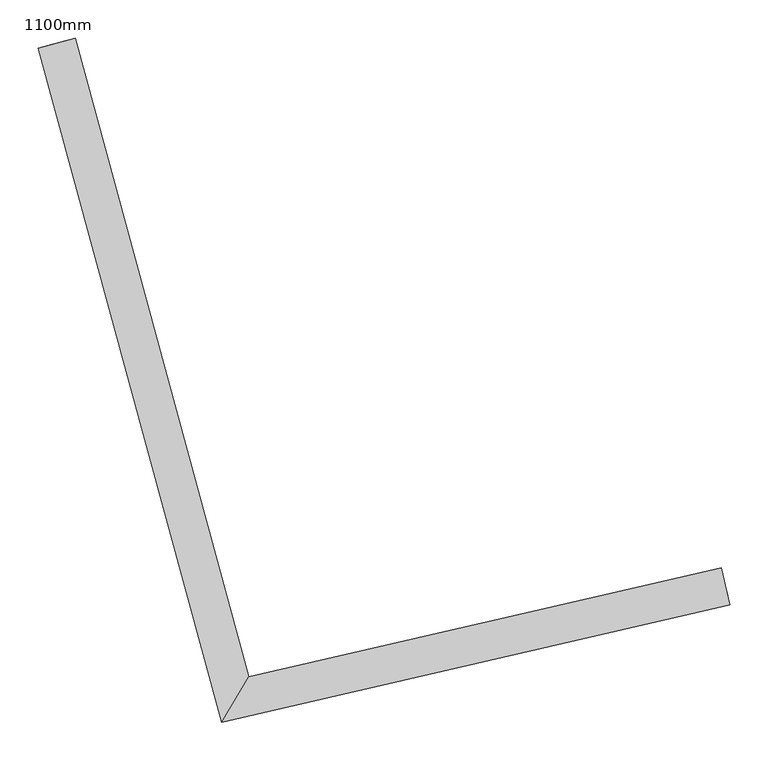
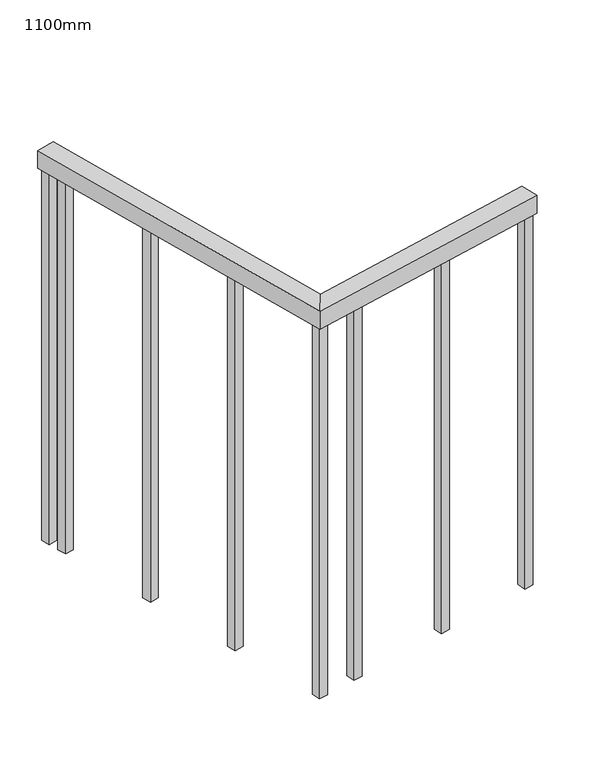
"""IFC4 building model written with IfcOpenShell, lengths in millimetres: railing geometry, 1100mm."""

import ifcopenshell
import ifcopenshell.guid

model = None  # the IFC model being written
_history = None  # IfcOwnerHistory: only IFC2X3 demands one
_inside = {}  # id of a spatial element -> (the spatial element, [elements in it])
_under = {}  # id of a project, library or spatial element -> (it, [spatial elements below it])
_declared = {}  # id of a project -> (the project, [libraries it declares])
_typed = {}  # id of a type object -> (the type object, [elements of that type])
_made_of = {}  # id of a material, layer set ... -> (it, [elements and type objects made of it])


def new_model(schema):
    """Start an empty IFC model of exactly this schema.

    Asked for "IFC4X3", IfcOpenShell would pick the latest addendum, in which some entities
    have other attributes; the version numbers below select the first issue.
    IFC2X3 requires an IfcOwnerHistory on every rooted entity: one is made here for all.
    """
    global model, _history
    if schema == "IFC4X3":
        model = ifcopenshell.file(schema_version=(4, 3, 0, 0))
    else:
        model = ifcopenshell.file(schema=schema)
    _inside.clear()
    _under.clear()
    _declared.clear()
    _typed.clear()
    _made_of.clear()
    _history = None
    if model.schema == "IFC2X3":
        org = make("IfcOrganization", Name="unknown")
        user = make(
            "IfcPersonAndOrganization",
            ThePerson=make("IfcPerson", FamilyName="unknown"),
            TheOrganization=org,
        )
        app = make(
            "IfcApplication",
            ApplicationDeveloper=org,
            Version="unknown",
            ApplicationFullName="unknown",
            ApplicationIdentifier="unknown",
        )
        _history = make(
            "IfcOwnerHistory",
            OwningUser=user,
            OwningApplication=app,
            ChangeAction="ADDED",
            CreationDate=0,
        )
    return model


def make(cls, **values):
    """One entity of the class cls with the attributes given. An attribute that is None is left unset."""
    return model.create_entity(
        cls, **{name: value for name, value in values.items() if value is not None}
    )


def rooted(cls, **values):
    """An entity with a GlobalId (a new one), such as an element, a storey or a relation."""
    return make(cls, GlobalId=ifcopenshell.guid.new(), OwnerHistory=_history, **values)


def si_unit(unit_type, name, prefix=None):
    """IfcSIUnit, for example si_unit("LENGTHUNIT", "METRE", prefix="MILLI")."""
    return make("IfcSIUnit", UnitType=unit_type, Prefix=prefix, Name=name)


def assignment(units):
    """IfcUnitAssignment: the units of a project."""
    return None if units is None else make("IfcUnitAssignment", Units=units)


def point(xyz):
    """IfcCartesianPoint."""
    return None if xyz is None else make("IfcCartesianPoint", Coordinates=xyz)


def direction(xyz):
    """IfcDirection."""
    return None if xyz is None else make("IfcDirection", DirectionRatios=xyz)


def frame(location, z_axis=None, x_axis=None):
    """IfcAxis2Placement3D, a coordinate frame: its origin and axes. An axis left out is left unset."""
    return make(
        "IfcAxis2Placement3D",
        Location=point(location),
        Axis=direction(z_axis),
        RefDirection=direction(x_axis),
    )


def origin():
    """The frame at (0, 0, 0) with its axes left unset."""
    return frame((0.0, 0.0, 0.0))


def place(relative_to, where):
    """IfcLocalPlacement: puts the frame where relative to a parent placement (None: the world)."""
    return make(
        "IfcLocalPlacement", PlacementRelTo=relative_to, RelativePlacement=where
    )


def context(
    kind, dimensions, precision=None, world=None, true_north=None, identifier=None
):
    """IfcGeometricRepresentationContext, for example the 3D "Model" context."""
    return make(
        "IfcGeometricRepresentationContext",
        ContextIdentifier=identifier,
        ContextType=kind,
        CoordinateSpaceDimension=dimensions,
        Precision=precision,
        WorldCoordinateSystem=world,
        TrueNorth=true_north,
    )


def project(units=None, contexts=None):
    """IfcProject with its units and contexts."""
    return rooted(
        "IfcProject",
        Name="project",
        RepresentationContexts=contexts,
        UnitsInContext=assignment(units),
    )


def spatial(cls, under=None, at=None, **own):
    """A site, building, storey or space (cls), placed at a placement, below another one or the project."""
    s = rooted(cls, ObjectPlacement=at, **own)
    if under is not None:
        _under.setdefault(under.id(), (under, []))[1].append(s)
    return s


def polyline(points):
    """IfcPolyline through the points."""
    return make("IfcPolyline", Points=[point(p) for p in points])


def outline(outer, holes=None, kind="AREA"):
    """IfcArbitraryClosedProfileDef: a profile drawn as a closed curve; with holes, ...WithVoids."""
    if holes is None:
        return make("IfcArbitraryClosedProfileDef", ProfileType=kind, OuterCurve=outer)
    return make(
        "IfcArbitraryProfileDefWithVoids",
        ProfileType=kind,
        OuterCurve=outer,
        InnerCurves=holes,
    )


def extrude(swept, where, along, depth):
    """IfcExtrudedAreaSolid: the profile swept, set in the frame where, extruded along a direction by depth."""
    return make(
        "IfcExtrudedAreaSolid",
        SweptArea=swept,
        Position=where,
        ExtrudedDirection=direction(along),
        Depth=depth,
    )


def faces_of(points, faces, orient=None, outer=None):
    """IfcFace entities. A face is a list of loops; a loop is a list of indices into points, from 0.

    orient and outer hold one flag for each loop. By default every Orientation is true, the
    first loop of a face is its IfcFaceOuterBound and the others are IfcFaceBound.
    """
    made = []
    for i, loops in enumerate(faces):
        bounds = []
        for j, loop in enumerate(loops):
            is_outer = j == 0 if outer is None else outer[i][j]
            bounds.append(
                make(
                    "IfcFaceOuterBound" if is_outer else "IfcFaceBound",
                    Bound=make("IfcPolyLoop", Polygon=[points[k] for k in loop]),
                    Orientation=True if orient is None else orient[i][j],
                )
            )
        made.append(make("IfcFace", Bounds=bounds))
    return made


def faceted_brep(points, faces, orient=None, outer=None, voids=None):
    """IfcFacetedBrep: a solid bounded by flat faces; with voids (closed shells), ...WithVoids."""
    shared = [point(p) for p in points]
    hull = make("IfcClosedShell", CfsFaces=faces_of(shared, faces, orient, outer))
    if voids is None:
        return make("IfcFacetedBrep", Outer=hull)
    return make(
        "IfcFacetedBrepWithVoids",
        Outer=hull,
        Voids=[
            make(cls, CfsFaces=faces_of(shared, fs, o, b)) for cls, fs, o, b in voids
        ],
    )


def shape(context_of_items, identifier, shape_type, items):
    """IfcShapeRepresentation: the items that make up one representation, for example the "Body"."""
    return make(
        "IfcShapeRepresentation",
        ContextOfItems=context_of_items,
        RepresentationIdentifier=identifier,
        RepresentationType=shape_type,
        Items=items,
    )


def source(mapping_origin, context_of_items, identifier, shape_type, items):
    """IfcRepresentationMap: a shape defined once, which mapped items show again and again."""
    return make(
        "IfcRepresentationMap",
        MappingOrigin=mapping_origin,
        MappedRepresentation=shape(context_of_items, identifier, shape_type, items),
    )


def transform(
    local_origin,
    x_axis=None,
    y_axis=None,
    z_axis=None,
    scale=None,
    scale2=None,
    scale3=None,
    uniform=True,
):
    """IfcCartesianTransformationOperator3D, or its non-uniform kind. x_axis, y_axis, z_axis: its Axis1, 2, 3."""
    if uniform:
        return make(
            "IfcCartesianTransformationOperator3D",
            Axis1=direction(x_axis),
            Axis2=direction(y_axis),
            LocalOrigin=point(local_origin),
            Scale=scale,
            Axis3=direction(z_axis),
        )
    return make(
        "IfcCartesianTransformationOperator3DnonUniform",
        Axis1=direction(x_axis),
        Axis2=direction(y_axis),
        LocalOrigin=point(local_origin),
        Scale=scale,
        Axis3=direction(z_axis),
        Scale2=scale2,
        Scale3=scale3,
    )


def mapped(mapping_source, mapping_target):
    """IfcMappedItem: shows the shape of a source again, moved by a transform."""
    return make(
        "IfcMappedItem", MappingSource=mapping_source, MappingTarget=mapping_target
    )


def made_of(thing, what):
    """Note that an element or type object is made of a material, layer set ...; save() writes the relation."""
    if what is not None:
        _made_of.setdefault(what.id(), (what, []))[1].append(thing)
    return thing


def element(
    cls,
    number,
    at=None,
    inside=None,
    cuts=None,
    type_object=None,
    material=None,
    context=None,
    identifier="Body",
    shape_type=None,
    held_by="IfcProductDefinitionShape",
    body=None,
    shapes=None,
    **own,
):
    """One element of the class cls, such as IfcWall. Its Tag is "e" and its number.

    at: its placement. inside: the storey or other place that contains it. cuts: it is an
    opening in that element (IfcRelVoidsElement). A single representation is given by context,
    identifier, shape_type and body (its items); several are given by shapes. held_by: the class
    of the entity that holds the representations. save() writes the other relations.
    """
    e = rooted(cls, Tag="e%d" % number, ObjectPlacement=at, **own)
    if body is not None:
        shapes = [shape(context, identifier, shape_type, body)]
    if shapes is not None:
        e.Representation = make(held_by, Representations=shapes)
    if inside is not None:
        _inside.setdefault(inside.id(), (inside, []))[1].append(e)
    if cuts is not None:
        rooted(
            "IfcRelVoidsElement", RelatingBuildingElement=cuts, RelatedOpeningElement=e
        )
    if type_object is not None:
        _typed.setdefault(type_object.id(), (type_object, []))[1].append(e)
    return made_of(e, material)


def aggregate(whole, parts):
    """IfcRelAggregates: a whole, such as a stair, and the parts it consists of."""
    return rooted("IfcRelAggregates", RelatingObject=whole, RelatedObjects=parts)


def save(model, path):
    """Write the relations noted so far, then the file.

    IfcRelAggregates (storeys below a building ...), IfcRelContainedInSpatialStructure (elements
    in a storey), IfcRelDefinesByType, IfcRelAssociatesMaterial and IfcRelDeclares: one each for
    every whole, place, type object, material and project.
    """
    for whole, parts in _under.values():
        aggregate(whole, parts)
    for where, things in _inside.values():
        rooted(
            "IfcRelContainedInSpatialStructure",
            RelatedElements=things,
            RelatingStructure=where,
        )
    for kind, things in _typed.values():
        rooted("IfcRelDefinesByType", RelatedObjects=things, RelatingType=kind)
    for what, things in _made_of.values():
        rooted("IfcRelAssociatesMaterial", RelatedObjects=things, RelatingMaterial=what)
    for by, libraries in _declared.values():
        rooted("IfcRelDeclares", RelatingContext=by, RelatedDefinitions=libraries)
    model.write(path)


def railing_1100mm_5d1f0b4b(model_context):
    return source(origin(), model_context, "Body", "SolidModel", [
        faceted_brep([(245495.7152203, 87162.7700823, 1700.0), (245506.9627731, 87114.0515791, 1700.0), (245506.9627731, 87114.0515791, 1650.0), (245495.7152203, 87162.7700823, 1650.0), (244877.5684752, 87020.0596614, 1700.0), (244841.9380098, 86960.5185149, 1700.0), (244841.9380098, 86960.5185149, 1650.0), (244877.5684752, 87020.0596614, 1650.0), (244650.2717864, 87856.3091211, 1700.0), (244650.2717864, 87856.3091211, 1650.0), (244602.0223157, 87843.1946792, 1650.0), (244602.0223157, 87843.1946792, 1700.0)], [[[0, 1, 2, 3]], [[1, 0, 4, 5]], [[2, 1, 5, 6]], [[3, 2, 6, 7]], [[0, 3, 7, 4]], [[8, 9, 10, 11]], [[5, 4, 8, 11]], [[6, 5, 11, 10]], [[7, 6, 10, 9]], [[4, 7, 9, 8]]]),
        extrude(outline(polyline([(244658.7059301, 87777.6215962), (244634.5811948, 87771.0643753), (244628.0239738, 87795.1891106), (244652.1487092, 87801.7463315), (244658.7059301, 87777.6215962)])), frame((0.0, 0.0, 600.0), z_axis=(0.0, 0.0, 1.0), x_axis=(1.0, 0.0, 0.0)), (0.0, 0.0, 1.0), 1050.0),
        extrude(outline(polyline([(244730.8353603, 87512.2495078), (244706.710625, 87505.6922869), (244700.153404, 87529.8170222), (244724.2781393, 87536.3742431), (244730.8353603, 87512.2495078)])), frame((0.0, 0.0, 600.0), z_axis=(0.0, 0.0, 1.0), x_axis=(1.0, 0.0, 0.0)), (0.0, 0.0, 1.0), 1050.0),
        extrude(outline(polyline([(244802.9647904, 87246.8774194), (244778.8400551, 87240.3201985), (244772.2828342, 87264.4449338), (244796.4075695, 87271.0021547), (244802.9647904, 87246.8774194)])), frame((0.0, 0.0, 600.0), z_axis=(0.0, 0.0, 1.0), x_axis=(1.0, 0.0, 0.0)), (0.0, 0.0, 1.0), 1050.0),
        extrude(outline(polyline([(244974.8031987, 87029.6792648), (244980.4269751, 87005.3200132), (244956.0677234, 86999.6962368), (244950.4439471, 87024.0554884), (244974.8031987, 87029.6792648)])), frame((0.0, 0.0, 600.0), z_axis=(0.0, 0.0, 1.0), x_axis=(1.0, 0.0, 0.0)), (0.0, 0.0, 1.0), 1050.0),
        extrude(outline(polyline([(245242.7549665, 87091.5408048), (245248.3787429, 87067.1815531), (245224.0194912, 87061.5577768), (245218.3957149, 87085.9170284), (245242.7549665, 87091.5408048)])), frame((0.0, 0.0, 600.0), z_axis=(0.0, 0.0, 1.0), x_axis=(1.0, 0.0, 0.0)), (0.0, 0.0, 1.0), 1050.0),
        extrude(outline(polyline([(244869.1209801, 87005.2806022), (244874.7447565, 86980.9213506), (244850.3855049, 86975.2975742), (244844.7617285, 86999.6568258), (244869.1209801, 87005.2806022)])), frame((0.0, 0.0, 600.0), z_axis=(0.0, 0.0, 1.0), x_axis=(1.0, 0.0, 0.0)), (0.0, 0.0, 1.0), 1050.0),
        extrude(outline(polyline([(244644.7666396, 87828.9057753), (244620.6419043, 87822.3485544), (244614.0846834, 87846.4732897), (244638.2094187, 87853.0305106), (244644.7666396, 87828.9057753)])), frame((0.0, 0.0, 600.0), z_axis=(0.0, 0.0, 1.0), x_axis=(1.0, 0.0, 0.0)), (0.0, 0.0, 1.0), 1050.0),
        extrude(outline(polyline([(245498.5271085, 87150.5904565), (245504.1508849, 87126.2312049), (245479.7916333, 87120.6074285), (245474.1678569, 87144.9666802), (245498.5271085, 87150.5904565)])), frame((0.0, 0.0, 600.0), z_axis=(0.0, 0.0, 1.0), x_axis=(1.0, 0.0, 0.0)), (0.0, 0.0, 1.0), 1050.0),
    ])


if __name__ == "__main__":
    model = new_model("IFC4")
    model_context = context("Model", 3, world=origin())
    ifc_project = project(units=[si_unit("LENGTHUNIT", "METRE", prefix="MILLI")], contexts=[model_context])
    site = spatial("IfcSite", under=ifc_project)
    building = spatial("IfcBuilding", under=site)
    placement = place(None, origin())
    railing_1100mm_shape = railing_1100mm_5d1f0b4b(model_context)
    element("IfcRailing", 1, ObjectType="1100mm", at=placement, inside=building, context=model_context, shape_type="MappedRepresentation", body=[
        mapped(railing_1100mm_shape, transform((0.0, 0.0, 0.0), x_axis=(1.0, 0.0, 0.0), y_axis=(0.0, 1.0, 0.0), z_axis=(0.0, 0.0, 1.0))),
    ])
    save(model, "model.ifc")
